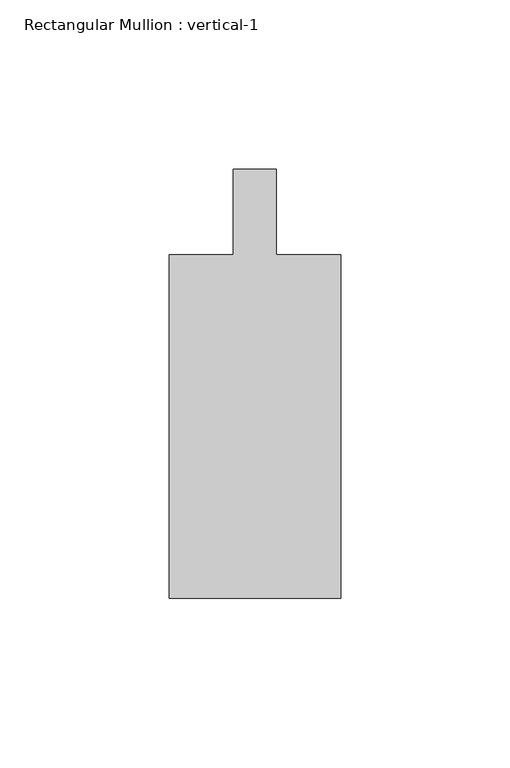
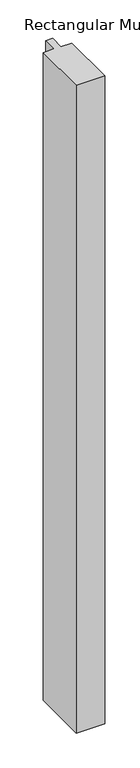
"""IFC4 building model written with IfcOpenShell, lengths in millimetres: member geometry, Rectangular Mullion : vertical-1."""

from ifc_helpers import new_model, si_unit, frame, origin, place, context, project, spatial, polyline, outline, extrude, source, transform, mapped, element, save


def rectangular_mullion_vertical_1_ddb9219d(model_context):
    return source(origin(), model_context, "Body", "SweptSolid", [
        extrude(outline(polyline([(25.4001903, -146.0500274), (-25.3998097, -146.0500274), (-25.3998097, -44.4500274), (-6.3498097, -44.4500274), (-6.3498097, -19.0500549), (6.3498097, -19.0500549), (6.3498097, -44.4500274), (25.4001903, -44.4500274), (25.4001903, -146.0500274)])), frame((0.0, 0.0, -1219.2), z_axis=(0.0, 0.0, 1.0), x_axis=(1.0, 0.0, 0.0)), (0.0, 0.0, 1.0), 1219.2),
    ])


if __name__ == "__main__":
    model = new_model("IFC4")
    model_context = context("Model", 3, world=origin())
    ifc_project = project(units=[si_unit("LENGTHUNIT", "METRE", prefix="MILLI")], contexts=[model_context])
    site = spatial("IfcSite", under=ifc_project)
    building = spatial("IfcBuilding", under=site)
    placement = place(None, origin())
    rectangular_mullion_vertical_1_shape = rectangular_mullion_vertical_1_ddb9219d(model_context)
    element("IfcMember", 1, ObjectType="Rectangular Mullion : vertical-1", at=placement, inside=building, context=model_context, shape_type="MappedRepresentation", body=[
        mapped(rectangular_mullion_vertical_1_shape, transform((0.0, 0.0, 0.0), x_axis=(1.0, 0.0, 0.0), y_axis=(0.0, 1.0, 0.0), z_axis=(0.0, 0.0, 1.0))),
    ])
    save(model, "model.ifc")
